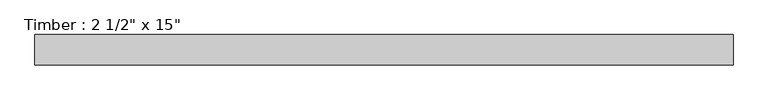
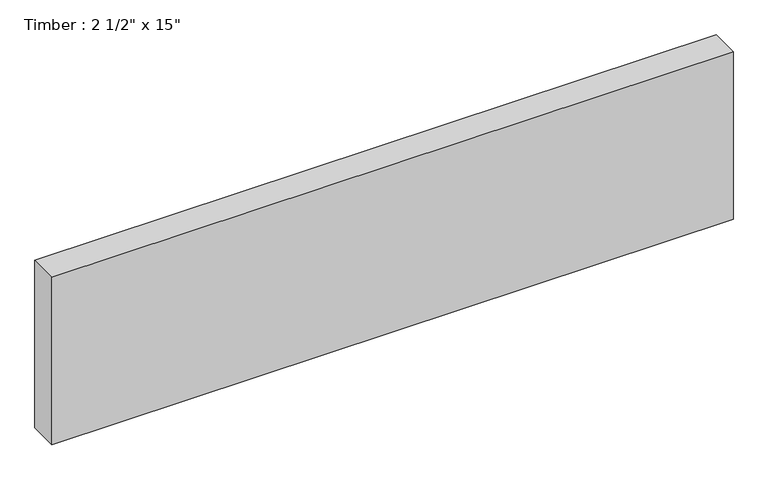
"""IFC4 building model written with IfcOpenShell, lengths in millimetres: beam geometry."""

from ifc_helpers import new_model, si_unit, frame, origin, place, context, project, spatial, polyline, outline, extrude, source, transform, mapped, element, save


def beam_64b9f949(model_context):
    return source(origin(), model_context, "Body", "SweptSolid", [
        extrude(outline(polyline([(733.425, 31.75), (733.425, -31.75), (-733.425, -31.75), (-733.425, 31.75), (733.425, 31.75)])), frame((0.0, 0.0, -190.5), z_axis=(0.0, 0.0, 1.0), x_axis=(1.0, 0.0, 0.0)), (0.0, 0.0, 1.0), 381.0),
    ])


if __name__ == "__main__":
    model = new_model("IFC4")
    model_context = context("Model", 3, world=origin())
    ifc_project = project(units=[si_unit("LENGTHUNIT", "METRE", prefix="MILLI")], contexts=[model_context])
    site = spatial("IfcSite", under=ifc_project)
    building = spatial("IfcBuilding", under=site)
    placement = place(None, origin())
    beam_shape = beam_64b9f949(model_context)
    element("IfcBeam", 1, ObjectType="Timber : 2 1/2\" x 15\"", at=placement, inside=building, context=model_context, shape_type="MappedRepresentation", body=[
        mapped(beam_shape, transform((0.0, 0.0, 0.0), x_axis=(1.0, 0.0, 0.0), y_axis=(0.0, 1.0, 0.0), z_axis=(0.0, 0.0, 1.0))),
    ])
    save(model, "model.ifc")
